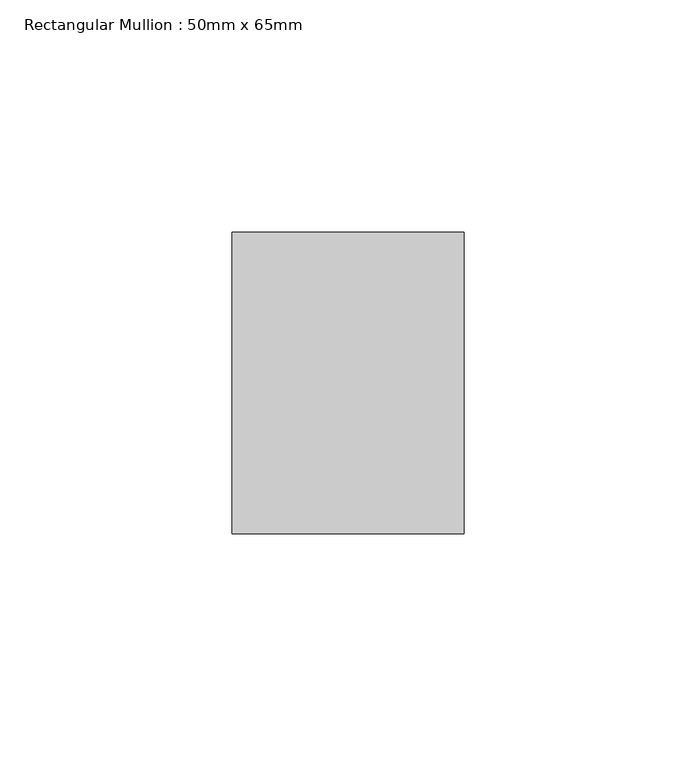
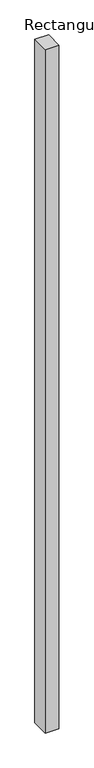
"""IFC4 building model written with IfcOpenShell, lengths in millimetres: member geometry, Rectangular Mullion : 50mm x 65mm."""

from ifc_helpers import new_model, si_unit, frame, origin, place, context, project, spatial, polyline, outline, extrude, source, transform, mapped, element, save


def rectangular_mullion_50mm_x_65mm_3d2ab34f(model_context):
    return source(origin(), model_context, "Body", "SweptSolid", [
        extrude(outline(polyline([(25.0, 32.5), (25.0, -32.5), (-25.0, -32.5), (-25.0, 32.5), (25.0, 32.5)])), frame((0.0, 0.0, -2625.075577), z_axis=(0.0, 0.0, 1.0), x_axis=(1.0, 0.0, 0.0)), (0.0, 0.0, 1.0), 2625.075577),
    ])


if __name__ == "__main__":
    model = new_model("IFC4")
    model_context = context("Model", 3, world=origin())
    ifc_project = project(units=[si_unit("LENGTHUNIT", "METRE", prefix="MILLI")], contexts=[model_context])
    site = spatial("IfcSite", under=ifc_project)
    building = spatial("IfcBuilding", under=site)
    placement = place(None, origin())
    rectangular_mullion_50mm_x_65mm_shape = rectangular_mullion_50mm_x_65mm_3d2ab34f(model_context)
    element("IfcMember", 1, ObjectType="Rectangular Mullion : 50mm x 65mm", at=placement, inside=building, context=model_context, shape_type="MappedRepresentation", body=[
        mapped(rectangular_mullion_50mm_x_65mm_shape, transform((0.0, 0.0, 0.0), x_axis=(1.0, 0.0, 0.0), y_axis=(0.0, 1.0, 0.0), z_axis=(0.0, 0.0, 1.0))),
    ])
    save(model, "model.ifc")
